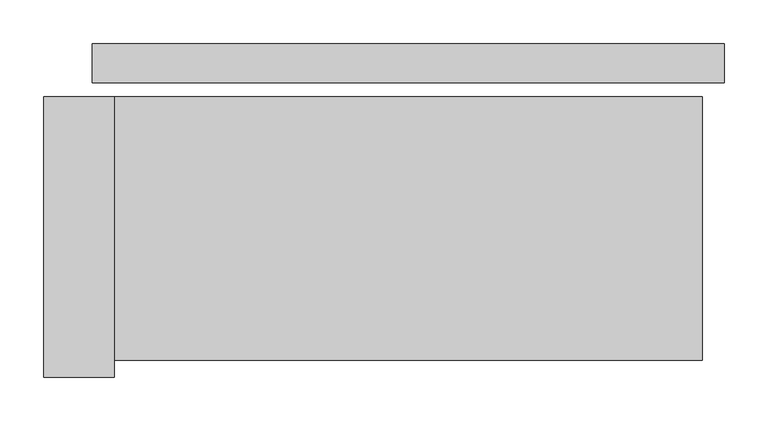
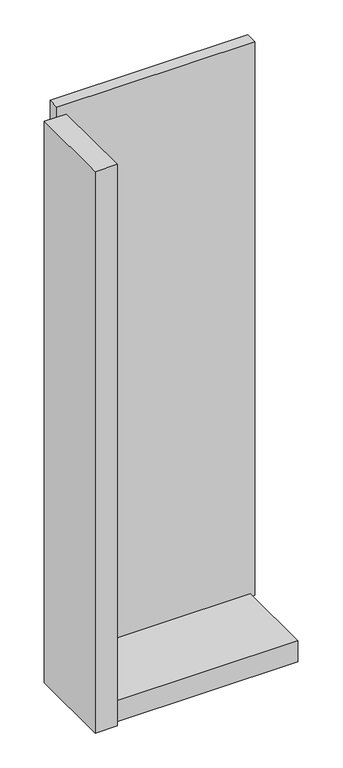
"""IFC4 building model written with IfcOpenShell, lengths in millimetres: plate geometry."""

from ifc_helpers import new_model, si_unit, frame, origin, origin_with_axes, place, context, project, spatial, polyline, outline, extrude, source, transform, mapped, element, save


def plate_289d6f38(model_context):
    return source(origin(), model_context, "Body", "SweptSolid", [
        extrude(outline(polyline([(360.0, 0.0), (360.0, -44.0), (-360.0, -44.0), (-360.0, 0.0), (360.0, 0.0)])), origin_with_axes(), (0.0, 0.0, 1.0), 2132.0),
        extrude(outline(polyline([(-335.0, -60.0), (-335.0, -380.0), (-415.0, -380.0), (-415.0, -60.0), (-335.0, -60.0)])), frame((0.0, 0.0, -55.0), z_axis=(0.0, 0.0, 1.0), x_axis=(1.0, 0.0, 0.0)), (0.0, 0.0, 1.0), 2162.0),
        extrude(outline(polyline([(335.0, -360.0), (-335.0, -360.0), (-335.0, -60.0), (335.0, -60.0), (335.0, -360.0)])), frame((0.0, 0.0, -55.0), z_axis=(0.0, 0.0, 1.0), x_axis=(1.0, 0.0, 0.0)), (0.0, 0.0, 1.0), 80.0),
    ])


if __name__ == "__main__":
    model = new_model("IFC4")
    model_context = context("Model", 3, world=origin())
    ifc_project = project(units=[si_unit("LENGTHUNIT", "METRE", prefix="MILLI")], contexts=[model_context])
    site = spatial("IfcSite", under=ifc_project)
    building = spatial("IfcBuilding", under=site)
    placement = place(None, origin())
    plate_shape = plate_289d6f38(model_context)
    element("IfcPlate", 1, at=placement, inside=building, context=model_context, shape_type="MappedRepresentation", body=[
        mapped(plate_shape, transform((0.0, 0.0, 0.0), x_axis=(1.0, 0.0, 0.0), y_axis=(0.0, 1.0, 0.0), z_axis=(0.0, 0.0, 1.0))),
    ])
    save(model, "model.ifc")
